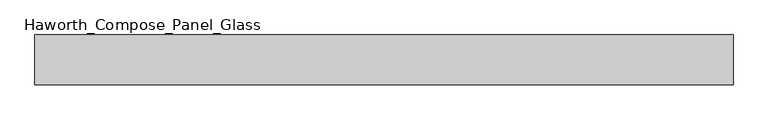
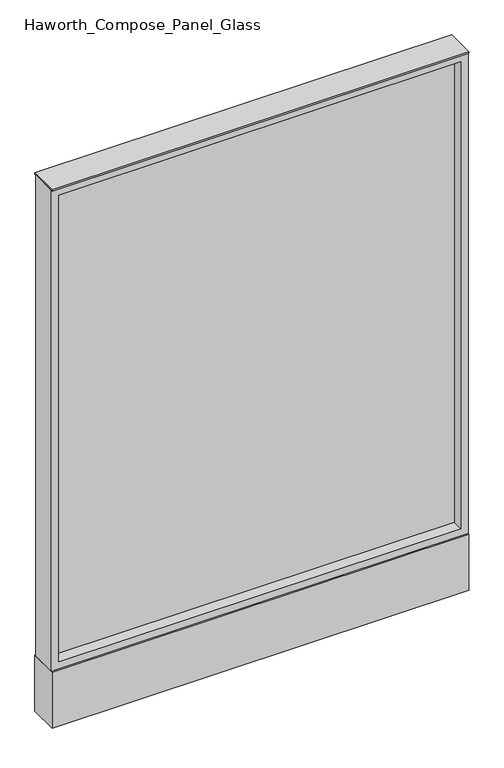
"""IFC4 building model written with IfcOpenShell, lengths in millimetres: furniture geometry, Haworth_Compose_Panel_Glass."""

from ifc_helpers import new_model, si_unit, point, frame, frame_2d, origin, origin_with_axes, place, context, project, spatial, polyline, circle_curve, trimmed, segment, composite_curve, outline, extrude, source, transform, mapped, element, save


def haworth_compose_panel_glass_72fa1e19(model_context):
    return source(origin(), model_context, "Body", "SweptSolid", [
        extrude(outline(composite_curve([segment(trimmed(circle_curve(frame_2d((459.6402902, 0.0)), 12.7), [point((446.9402902, 0.0))], [point((472.3402902, 0.0))], False, "CARTESIAN"), True, "CONTINUOUS"), segment(trimmed(circle_curve(frame_2d((459.6402902, 0.0)), 12.7), [point((472.3402902, 0.0))], [point((446.9402902, 0.0))], False, "CARTESIAN"), True, "CONTINUOUS")], self_intersect=False)), origin_with_axes(), (0.0, 0.0, 1.0), 12.7),
        extrude(outline(composite_curve([segment(trimmed(circle_curve(frame_2d((-454.7597098, 0.0)), 12.7), [point((-467.4597098, 0.0))], [point((-442.0597098, 0.0))], False, "CARTESIAN"), True, "CONTINUOUS"), segment(trimmed(circle_curve(frame_2d((-454.7597098, 0.0)), 12.7), [point((-442.0597098, 0.0))], [point((-467.4597098, 0.0))], False, "CARTESIAN"), True, "CONTINUOUS")], self_intersect=False)), origin_with_axes(), (0.0, 0.0, 1.0), 12.7),
        extrude(outline(polyline([(516.7902902, -6.35), (-511.9097098, -6.35), (-511.9097098, 6.35), (516.7902902, 6.35), (516.7902902, -6.35)])), frame((0.0, 0.0, 184.15), z_axis=(0.0, 0.0, 1.0), x_axis=(1.0, 0.0, 0.0)), (0.0, 0.0, 1.0), 1263.65),
        extrude(outline(polyline([(1466.85, -530.9597098), (165.1, -530.9597098), (165.1, 535.8402902), (1466.85, 535.8402902), (1466.85, -530.9597098)]), holes=[polyline([(1447.8, 516.7902902), (184.15, 516.7902902), (184.15, -511.9097098), (1447.8, -511.9097098), (1447.8, 516.7902902)])]), frame((0.0, -34.925, 0.0), z_axis=(0.0, 1.0, 0.0), x_axis=(0.0, 0.0, 1.0)), (0.0, 0.0, 1.0), 69.85),
        extrude(outline(polyline([(-530.9597098, 38.1), (535.8402902, 38.1), (535.8402902, -38.1), (-530.9597098, -38.1), (-530.9597098, 38.1)])), frame((0.0, 0.0, 12.7), z_axis=(0.0, 0.0, 1.0), x_axis=(1.0, 0.0, 0.0)), (0.0, 0.0, 1.0), 152.4),
        extrude(outline(polyline([(-530.9597098, -38.1), (-530.9597098, 38.1), (535.8402902, 38.1), (535.8402902, -38.1), (-530.9597098, -38.1)])), frame((0.0, 0.0, 1466.85), z_axis=(0.0, 0.0, 1.0), x_axis=(1.0, 0.0, 0.0)), (0.0, 0.0, 1.0), 3.175),
    ])


if __name__ == "__main__":
    model = new_model("IFC4")
    model_context = context("Model", 3, world=origin())
    ifc_project = project(units=[si_unit("LENGTHUNIT", "METRE", prefix="MILLI")], contexts=[model_context])
    site = spatial("IfcSite", under=ifc_project)
    building = spatial("IfcBuilding", under=site)
    placement = place(None, origin())
    haworth_compose_panel_glass_shape = haworth_compose_panel_glass_72fa1e19(model_context)
    element("IfcFurniture", 1, ObjectType="Haworth_Compose_Panel_Glass", at=placement, inside=building, context=model_context, shape_type="MappedRepresentation", body=[
        mapped(haworth_compose_panel_glass_shape, transform((0.0, 0.0, 0.0), x_axis=(1.0, 0.0, 0.0), y_axis=(0.0, 1.0, 0.0), z_axis=(0.0, 0.0, 1.0))),
    ])
    save(model, "model.ifc")
